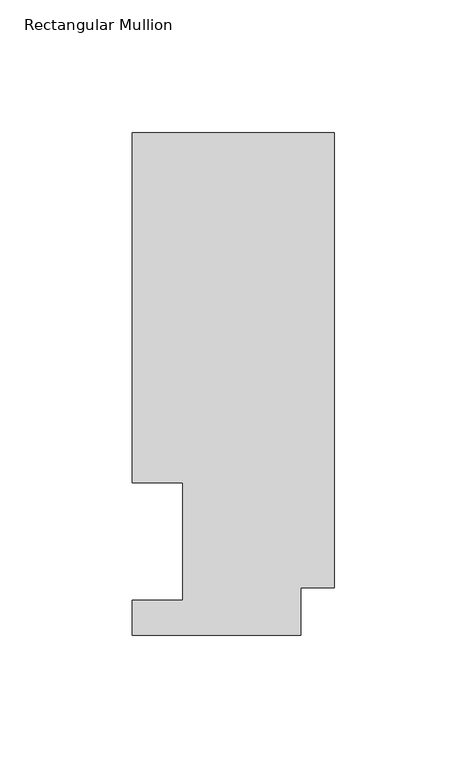
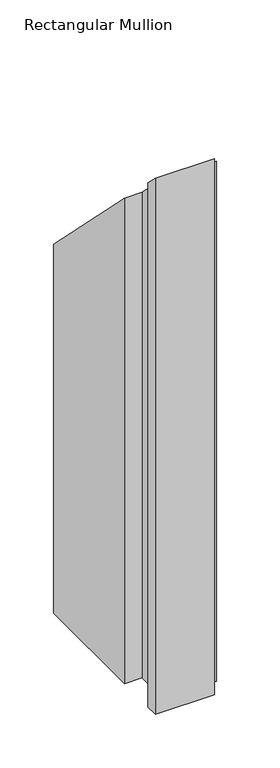
"""IFC4 building model written with IfcOpenShell, lengths in millimetres: member geometry, Rectangular Mullion."""

from ifc_helpers import new_model, si_unit, origin, place, context, project, spatial, faceted_brep, source, transform, mapped, element, save


def rectangular_mullion_3eecc015(model_context):
    return source(origin(), model_context, "Body", "Brep", [
        faceted_brep([(0.0, 189.8022938, -609.6), (0.0, 17.9712937, -609.6), (-12.7, 17.9712937, -609.6), (-12.7, 0.0134938, -609.6), (-76.2, 0.0134938, -609.6), (-76.2, 13.1960938, -609.6), (-57.1627, 13.1960938, -609.6), (-57.1627, 57.6460937, -609.6), (-76.2, 57.6460937, -609.6), (-76.2, 189.8022938, -609.6), (-76.2, 189.8022938, -189.8022937), (0.0, 189.8022938, -189.8022937), (-76.2, 57.6460937, -57.6460937), (-57.1627, 57.6460937, -57.6460937), (-57.1627, 13.1960938, -13.1960938), (-76.2, 13.1960938, -13.1960938), (-76.2, 0.0134938, -0.0134938), (-12.7, 0.0134938, -0.0134938), (-12.7, 17.9712937, -17.9712937), (0.0, 17.9712937, -17.9712937)], [[[0, 1, 2, 3, 4, 5, 6, 7, 8, 9]], [[10, 11, 0, 9]], [[12, 10, 9, 8]], [[13, 12, 8, 7]], [[14, 13, 7, 6]], [[15, 14, 6, 5]], [[16, 15, 5, 4]], [[17, 16, 4, 3]], [[18, 17, 3, 2]], [[19, 18, 2, 1]], [[11, 19, 1, 0]], [[11, 10, 12, 13, 14, 15, 16, 17, 18, 19]]]),
    ])


if __name__ == "__main__":
    model = new_model("IFC4")
    model_context = context("Model", 3, world=origin())
    ifc_project = project(units=[si_unit("LENGTHUNIT", "METRE", prefix="MILLI")], contexts=[model_context])
    site = spatial("IfcSite", under=ifc_project)
    building = spatial("IfcBuilding", under=site)
    placement = place(None, origin())
    rectangular_mullion_shape = rectangular_mullion_3eecc015(model_context)
    element("IfcMember", 1, ObjectType="Rectangular Mullion", at=placement, inside=building, context=model_context, shape_type="MappedRepresentation", body=[
        mapped(rectangular_mullion_shape, transform((0.0, 0.0, 0.0), x_axis=(1.0, 0.0, 0.0), y_axis=(0.0, 1.0, 0.0), z_axis=(0.0, 0.0, 1.0))),
    ])
    save(model, "model.ifc")
